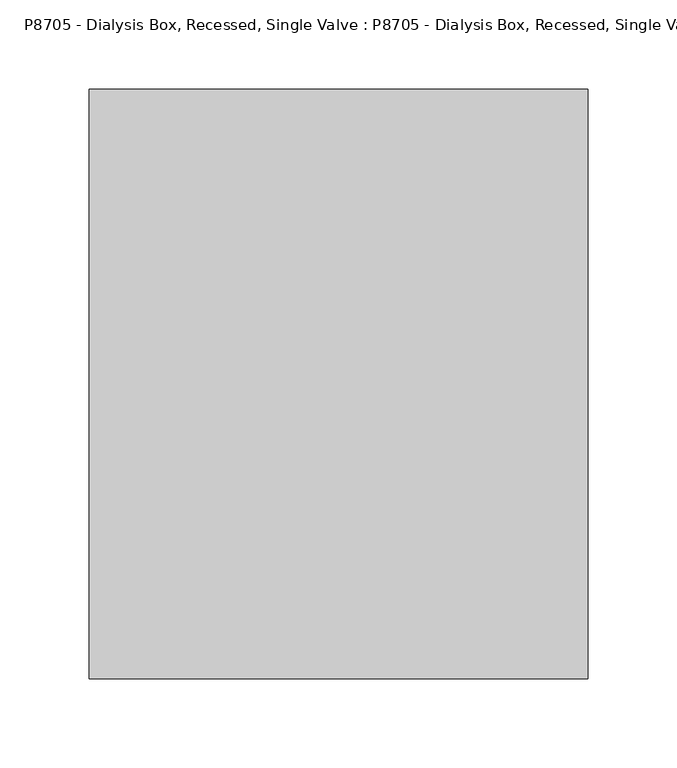
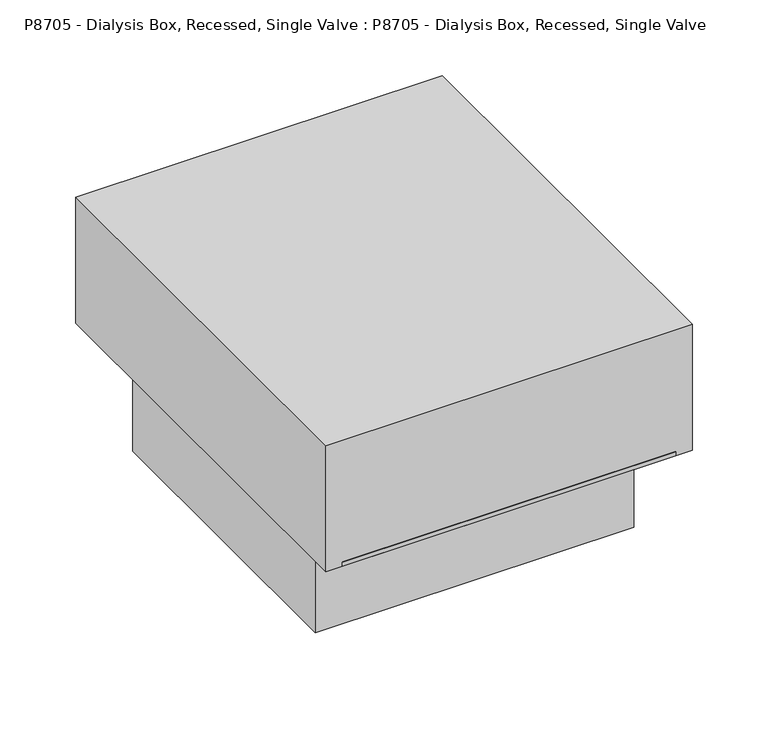
"""IFC4 building model written with IfcOpenShell, lengths in millimetres: proxy geometry, P8705 - Dialysis Box, Recessed, Single Valve : P8705 - Dialysis Box, Recessed, Single Valve."""

from ifc_helpers import new_model, si_unit, origin, origin_with_axes, place, context, project, spatial, polyline, outline, extrude, faceted_brep, source, transform, mapped, element, save


def p8705_dialysis_box_recessed_single_valve_p8705_dialysis_box_98d03597(model_context):
    return source(origin(), model_context, "Body", "SolidModel", [
        faceted_brep([(127.0, -165.1, 3.175), (127.0, 165.1, 3.175), (-127.0, 165.1, 3.175), (-127.0, -165.1, 3.175), (114.3, 101.6, 3.175), (114.3, -101.9737484, 3.175), (-114.3, -101.9737484, 3.175), (-114.3, 101.6, 3.175), (127.0, -165.1, 0.0), (-127.0, -165.1, 0.0), (-127.0, 165.1, 0.0), (127.0, 165.1, 0.0), (120.65, 120.65, 0.0), (-122.0738096, 120.65, 0.0), (-122.0738096, -120.65, 0.0), (120.65, -120.65, 0.0), (120.65, -120.65, -82.55), (120.65, 120.65, -82.55), (-122.0738096, 120.65, -82.55), (-122.0738096, -120.65, -82.55), (-114.3, 101.6, -76.2), (114.3, 101.6, -76.2), (114.3, -101.9737484, -76.2), (-114.3, -101.9737484, -76.2)], [[[0, 1, 2, 3], [4, 5, 6, 7]], [[8, 9, 10, 11], [12, 13, 14, 15]], [[3, 9, 8, 0]], [[2, 10, 9, 3]], [[1, 11, 10, 2]], [[0, 8, 11, 1]], [[12, 15, 16, 17]], [[14, 13, 18, 19]], [[17, 18, 13, 12]], [[16, 19, 18, 17]], [[15, 14, 19, 16]], [[4, 7, 20, 21]], [[6, 5, 22, 23]], [[7, 6, 23, 20]], [[20, 23, 22, 21]], [[21, 22, 5, 4]]]),
        extrude(outline(polyline([(139.7, -165.1), (-139.7, -165.1), (-139.7, 165.1), (139.7, 165.1), (139.7, -165.1)])), origin_with_axes(), (0.0, 0.0, 1.0), 101.6),
    ])


if __name__ == "__main__":
    model = new_model("IFC4")
    model_context = context("Model", 3, world=origin())
    ifc_project = project(units=[si_unit("LENGTHUNIT", "METRE", prefix="MILLI")], contexts=[model_context])
    site = spatial("IfcSite", under=ifc_project)
    building = spatial("IfcBuilding", under=site)
    placement = place(None, origin())
    p8705_dialysis_box_recessed_single_valve_p8705_dialysis_box_shape = p8705_dialysis_box_recessed_single_valve_p8705_dialysis_box_98d03597(model_context)
    element("IfcBuildingElementProxy", 1, Name="P8705 - Dialysis Box, Recessed, Single Valve : P8705 - Dialysis Box, Recessed, Single Valve", ObjectType="P8705 - Dialysis Box, Recessed, Single Valve : P8705 - Dialysis Box, Recessed, Single Valve", at=placement, inside=building, context=model_context, shape_type="MappedRepresentation", body=[
        mapped(p8705_dialysis_box_recessed_single_valve_p8705_dialysis_box_shape, transform((0.0, 0.0, 0.0), x_axis=(1.0, 0.0, 0.0), y_axis=(0.0, 1.0, 0.0), z_axis=(0.0, 0.0, 1.0))),
    ])
    save(model, "model.ifc")
